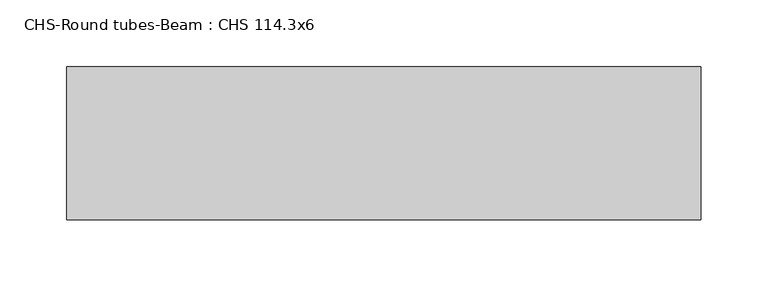
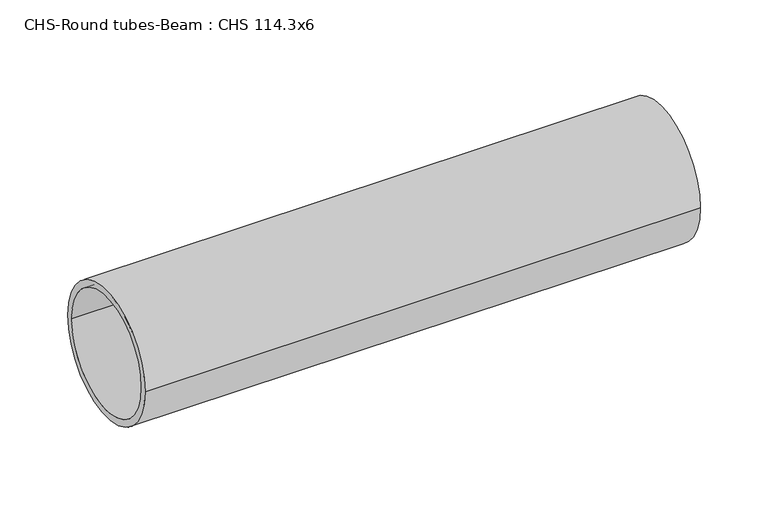
"""IFC4 building model written with IfcOpenShell, lengths in millimetres: beam geometry, CHS-Round tubes-Beam : CHS 114.3x6."""

import ifcopenshell
import ifcopenshell.guid

model = None  # the IFC model being written
_history = None  # IfcOwnerHistory: only IFC2X3 demands one
_inside = {}  # id of a spatial element -> (the spatial element, [elements in it])
_under = {}  # id of a project, library or spatial element -> (it, [spatial elements below it])
_declared = {}  # id of a project -> (the project, [libraries it declares])
_typed = {}  # id of a type object -> (the type object, [elements of that type])
_made_of = {}  # id of a material, layer set ... -> (it, [elements and type objects made of it])


def new_model(schema):
    """Start an empty IFC model of exactly this schema.

    Asked for "IFC4X3", IfcOpenShell would pick the latest addendum, in which some entities
    have other attributes; the version numbers below select the first issue.
    IFC2X3 requires an IfcOwnerHistory on every rooted entity: one is made here for all.
    """
    global model, _history
    if schema == "IFC4X3":
        model = ifcopenshell.file(schema_version=(4, 3, 0, 0))
    else:
        model = ifcopenshell.file(schema=schema)
    _inside.clear()
    _under.clear()
    _declared.clear()
    _typed.clear()
    _made_of.clear()
    _history = None
    if model.schema == "IFC2X3":
        org = make("IfcOrganization", Name="unknown")
        user = make(
            "IfcPersonAndOrganization",
            ThePerson=make("IfcPerson", FamilyName="unknown"),
            TheOrganization=org,
        )
        app = make(
            "IfcApplication",
            ApplicationDeveloper=org,
            Version="unknown",
            ApplicationFullName="unknown",
            ApplicationIdentifier="unknown",
        )
        _history = make(
            "IfcOwnerHistory",
            OwningUser=user,
            OwningApplication=app,
            ChangeAction="ADDED",
            CreationDate=0,
        )
    return model


def make(cls, **values):
    """One entity of the class cls with the attributes given. An attribute that is None is left unset."""
    return model.create_entity(
        cls, **{name: value for name, value in values.items() if value is not None}
    )


def rooted(cls, **values):
    """An entity with a GlobalId (a new one), such as an element, a storey or a relation."""
    return make(cls, GlobalId=ifcopenshell.guid.new(), OwnerHistory=_history, **values)


def si_unit(unit_type, name, prefix=None):
    """IfcSIUnit, for example si_unit("LENGTHUNIT", "METRE", prefix="MILLI")."""
    return make("IfcSIUnit", UnitType=unit_type, Prefix=prefix, Name=name)


def assignment(units):
    """IfcUnitAssignment: the units of a project."""
    return None if units is None else make("IfcUnitAssignment", Units=units)


def point(xyz):
    """IfcCartesianPoint."""
    return None if xyz is None else make("IfcCartesianPoint", Coordinates=xyz)


def direction(xyz):
    """IfcDirection."""
    return None if xyz is None else make("IfcDirection", DirectionRatios=xyz)


def frame(location, z_axis=None, x_axis=None):
    """IfcAxis2Placement3D, a coordinate frame: its origin and axes. An axis left out is left unset."""
    return make(
        "IfcAxis2Placement3D",
        Location=point(location),
        Axis=direction(z_axis),
        RefDirection=direction(x_axis),
    )


def frame_2d(location, x_axis=None):
    """IfcAxis2Placement2D, a coordinate frame in the plane: its origin and x axis."""
    return make(
        "IfcAxis2Placement2D", Location=point(location), RefDirection=direction(x_axis)
    )


def origin():
    """The frame at (0, 0, 0) with its axes left unset."""
    return frame((0.0, 0.0, 0.0))


def origin_2d():
    """The frame at (0, 0) in the plane with its x axis left unset."""
    return frame_2d((0.0, 0.0))


def place(relative_to, where):
    """IfcLocalPlacement: puts the frame where relative to a parent placement (None: the world)."""
    return make(
        "IfcLocalPlacement", PlacementRelTo=relative_to, RelativePlacement=where
    )


def context(
    kind, dimensions, precision=None, world=None, true_north=None, identifier=None
):
    """IfcGeometricRepresentationContext, for example the 3D "Model" context."""
    return make(
        "IfcGeometricRepresentationContext",
        ContextIdentifier=identifier,
        ContextType=kind,
        CoordinateSpaceDimension=dimensions,
        Precision=precision,
        WorldCoordinateSystem=world,
        TrueNorth=true_north,
    )


def project(units=None, contexts=None):
    """IfcProject with its units and contexts."""
    return rooted(
        "IfcProject",
        Name="project",
        RepresentationContexts=contexts,
        UnitsInContext=assignment(units),
    )


def spatial(cls, under=None, at=None, **own):
    """A site, building, storey or space (cls), placed at a placement, below another one or the project."""
    s = rooted(cls, ObjectPlacement=at, **own)
    if under is not None:
        _under.setdefault(under.id(), (under, []))[1].append(s)
    return s


def circle_curve(where, radius):
    """IfcCircle in the frame where."""
    return make("IfcCircle", Position=where, Radius=radius)


def trimmed(basis, trim1, trim2, sense, master):
    """IfcTrimmedCurve: the piece of a basis curve between two trims."""
    return make(
        "IfcTrimmedCurve",
        BasisCurve=basis,
        Trim1=trim1,
        Trim2=trim2,
        SenseAgreement=sense,
        MasterRepresentation=master,
    )


def segment(curve, same_sense, transition):
    """IfcCompositeCurveSegment."""
    return make(
        "IfcCompositeCurveSegment",
        Transition=transition,
        SameSense=same_sense,
        ParentCurve=curve,
    )


def composite_curve(segments, self_intersect=None):
    """IfcCompositeCurve: segments joined end to end."""
    return make("IfcCompositeCurve", Segments=segments, SelfIntersect=self_intersect)


def outline(outer, holes=None, kind="AREA"):
    """IfcArbitraryClosedProfileDef: a profile drawn as a closed curve; with holes, ...WithVoids."""
    if holes is None:
        return make("IfcArbitraryClosedProfileDef", ProfileType=kind, OuterCurve=outer)
    return make(
        "IfcArbitraryProfileDefWithVoids",
        ProfileType=kind,
        OuterCurve=outer,
        InnerCurves=holes,
    )


def extrude(swept, where, along, depth):
    """IfcExtrudedAreaSolid: the profile swept, set in the frame where, extruded along a direction by depth."""
    return make(
        "IfcExtrudedAreaSolid",
        SweptArea=swept,
        Position=where,
        ExtrudedDirection=direction(along),
        Depth=depth,
    )


def shape(context_of_items, identifier, shape_type, items):
    """IfcShapeRepresentation: the items that make up one representation, for example the "Body"."""
    return make(
        "IfcShapeRepresentation",
        ContextOfItems=context_of_items,
        RepresentationIdentifier=identifier,
        RepresentationType=shape_type,
        Items=items,
    )


def source(mapping_origin, context_of_items, identifier, shape_type, items):
    """IfcRepresentationMap: a shape defined once, which mapped items show again and again."""
    return make(
        "IfcRepresentationMap",
        MappingOrigin=mapping_origin,
        MappedRepresentation=shape(context_of_items, identifier, shape_type, items),
    )


def transform(
    local_origin,
    x_axis=None,
    y_axis=None,
    z_axis=None,
    scale=None,
    scale2=None,
    scale3=None,
    uniform=True,
):
    """IfcCartesianTransformationOperator3D, or its non-uniform kind. x_axis, y_axis, z_axis: its Axis1, 2, 3."""
    if uniform:
        return make(
            "IfcCartesianTransformationOperator3D",
            Axis1=direction(x_axis),
            Axis2=direction(y_axis),
            LocalOrigin=point(local_origin),
            Scale=scale,
            Axis3=direction(z_axis),
        )
    return make(
        "IfcCartesianTransformationOperator3DnonUniform",
        Axis1=direction(x_axis),
        Axis2=direction(y_axis),
        LocalOrigin=point(local_origin),
        Scale=scale,
        Axis3=direction(z_axis),
        Scale2=scale2,
        Scale3=scale3,
    )


def mapped(mapping_source, mapping_target):
    """IfcMappedItem: shows the shape of a source again, moved by a transform."""
    return make(
        "IfcMappedItem", MappingSource=mapping_source, MappingTarget=mapping_target
    )


def made_of(thing, what):
    """Note that an element or type object is made of a material, layer set ...; save() writes the relation."""
    if what is not None:
        _made_of.setdefault(what.id(), (what, []))[1].append(thing)
    return thing


def element(
    cls,
    number,
    at=None,
    inside=None,
    cuts=None,
    type_object=None,
    material=None,
    context=None,
    identifier="Body",
    shape_type=None,
    held_by="IfcProductDefinitionShape",
    body=None,
    shapes=None,
    **own,
):
    """One element of the class cls, such as IfcWall. Its Tag is "e" and its number.

    at: its placement. inside: the storey or other place that contains it. cuts: it is an
    opening in that element (IfcRelVoidsElement). A single representation is given by context,
    identifier, shape_type and body (its items); several are given by shapes. held_by: the class
    of the entity that holds the representations. save() writes the other relations.
    """
    e = rooted(cls, Tag="e%d" % number, ObjectPlacement=at, **own)
    if body is not None:
        shapes = [shape(context, identifier, shape_type, body)]
    if shapes is not None:
        e.Representation = make(held_by, Representations=shapes)
    if inside is not None:
        _inside.setdefault(inside.id(), (inside, []))[1].append(e)
    if cuts is not None:
        rooted(
            "IfcRelVoidsElement", RelatingBuildingElement=cuts, RelatedOpeningElement=e
        )
    if type_object is not None:
        _typed.setdefault(type_object.id(), (type_object, []))[1].append(e)
    return made_of(e, material)


def aggregate(whole, parts):
    """IfcRelAggregates: a whole, such as a stair, and the parts it consists of."""
    return rooted("IfcRelAggregates", RelatingObject=whole, RelatedObjects=parts)


def save(model, path):
    """Write the relations noted so far, then the file.

    IfcRelAggregates (storeys below a building ...), IfcRelContainedInSpatialStructure (elements
    in a storey), IfcRelDefinesByType, IfcRelAssociatesMaterial and IfcRelDeclares: one each for
    every whole, place, type object, material and project.
    """
    for whole, parts in _under.values():
        aggregate(whole, parts)
    for where, things in _inside.values():
        rooted(
            "IfcRelContainedInSpatialStructure",
            RelatedElements=things,
            RelatingStructure=where,
        )
    for kind, things in _typed.values():
        rooted("IfcRelDefinesByType", RelatedObjects=things, RelatingType=kind)
    for what, things in _made_of.values():
        rooted("IfcRelAssociatesMaterial", RelatedObjects=things, RelatingMaterial=what)
    for by, libraries in _declared.values():
        rooted("IfcRelDeclares", RelatingContext=by, RelatedDefinitions=libraries)
    model.write(path)


def chs_round_tubes_beam_chs_114_3x6_088fe67b(model_context):
    return source(origin(), model_context, "Body", "SweptSolid", [
        extrude(outline(composite_curve([segment(trimmed(circle_curve(origin_2d(), 57.15), [point((57.15, 0.0))], [point((-57.15, 0.0))], False, "CARTESIAN"), True, "CONTINUOUS"), segment(trimmed(circle_curve(origin_2d(), 57.15), [point((-57.15, 0.0))], [point((57.15, 0.0))], False, "CARTESIAN"), True, "CONTINUOUS")], self_intersect=False), holes=[composite_curve([segment(trimmed(circle_curve(origin_2d(), 51.15), [point((51.15, 0.0))], [point((-51.15, 0.0))], True, "CARTESIAN"), True, "CONTINUOUS"), segment(trimmed(circle_curve(origin_2d(), 51.15), [point((-51.15, 0.0))], [point((51.15, 0.0))], True, "CARTESIAN"), True, "CONTINUOUS")], self_intersect=False)]), frame((-218.2386111, 0.0, 0.0), z_axis=(1.0, 0.0, 0.0), x_axis=(0.0, 1.0, 0.0)), (0.0, 0.0, 1.0), 473.5967854),
    ])


if __name__ == "__main__":
    model = new_model("IFC4")
    model_context = context("Model", 3, world=origin())
    ifc_project = project(units=[si_unit("LENGTHUNIT", "METRE", prefix="MILLI")], contexts=[model_context])
    site = spatial("IfcSite", under=ifc_project)
    building = spatial("IfcBuilding", under=site)
    placement = place(None, origin())
    chs_round_tubes_beam_chs_114_3x6_shape = chs_round_tubes_beam_chs_114_3x6_088fe67b(model_context)
    element("IfcBeam", 1, ObjectType="CHS-Round tubes-Beam : CHS 114.3x6", at=placement, inside=building, context=model_context, shape_type="MappedRepresentation", body=[
        mapped(chs_round_tubes_beam_chs_114_3x6_shape, transform((0.0, 0.0, 0.0), x_axis=(1.0, 0.0, 0.0), y_axis=(0.0, 1.0, 0.0), z_axis=(0.0, 0.0, 1.0))),
    ])
    save(model, "model.ifc")
